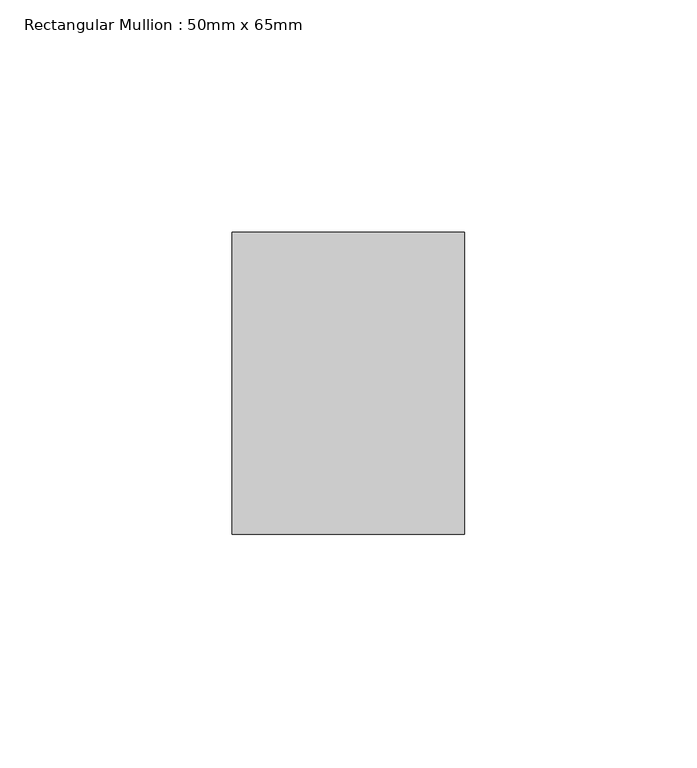
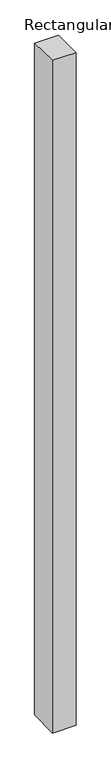
"""IFC4 building model written with IfcOpenShell, lengths in millimetres: member geometry, Rectangular Mullion : 50mm x 65mm."""

import ifcopenshell
import ifcopenshell.guid

model = None  # the IFC model being written
_history = None  # IfcOwnerHistory: only IFC2X3 demands one
_inside = {}  # id of a spatial element -> (the spatial element, [elements in it])
_under = {}  # id of a project, library or spatial element -> (it, [spatial elements below it])
_declared = {}  # id of a project -> (the project, [libraries it declares])
_typed = {}  # id of a type object -> (the type object, [elements of that type])
_made_of = {}  # id of a material, layer set ... -> (it, [elements and type objects made of it])


def new_model(schema):
    """Start an empty IFC model of exactly this schema.

    Asked for "IFC4X3", IfcOpenShell would pick the latest addendum, in which some entities
    have other attributes; the version numbers below select the first issue.
    IFC2X3 requires an IfcOwnerHistory on every rooted entity: one is made here for all.
    """
    global model, _history
    if schema == "IFC4X3":
        model = ifcopenshell.file(schema_version=(4, 3, 0, 0))
    else:
        model = ifcopenshell.file(schema=schema)
    _inside.clear()
    _under.clear()
    _declared.clear()
    _typed.clear()
    _made_of.clear()
    _history = None
    if model.schema == "IFC2X3":
        org = make("IfcOrganization", Name="unknown")
        user = make(
            "IfcPersonAndOrganization",
            ThePerson=make("IfcPerson", FamilyName="unknown"),
            TheOrganization=org,
        )
        app = make(
            "IfcApplication",
            ApplicationDeveloper=org,
            Version="unknown",
            ApplicationFullName="unknown",
            ApplicationIdentifier="unknown",
        )
        _history = make(
            "IfcOwnerHistory",
            OwningUser=user,
            OwningApplication=app,
            ChangeAction="ADDED",
            CreationDate=0,
        )
    return model


def make(cls, **values):
    """One entity of the class cls with the attributes given. An attribute that is None is left unset."""
    return model.create_entity(
        cls, **{name: value for name, value in values.items() if value is not None}
    )


def rooted(cls, **values):
    """An entity with a GlobalId (a new one), such as an element, a storey or a relation."""
    return make(cls, GlobalId=ifcopenshell.guid.new(), OwnerHistory=_history, **values)


def si_unit(unit_type, name, prefix=None):
    """IfcSIUnit, for example si_unit("LENGTHUNIT", "METRE", prefix="MILLI")."""
    return make("IfcSIUnit", UnitType=unit_type, Prefix=prefix, Name=name)


def assignment(units):
    """IfcUnitAssignment: the units of a project."""
    return None if units is None else make("IfcUnitAssignment", Units=units)


def point(xyz):
    """IfcCartesianPoint."""
    return None if xyz is None else make("IfcCartesianPoint", Coordinates=xyz)


def direction(xyz):
    """IfcDirection."""
    return None if xyz is None else make("IfcDirection", DirectionRatios=xyz)


def frame(location, z_axis=None, x_axis=None):
    """IfcAxis2Placement3D, a coordinate frame: its origin and axes. An axis left out is left unset."""
    return make(
        "IfcAxis2Placement3D",
        Location=point(location),
        Axis=direction(z_axis),
        RefDirection=direction(x_axis),
    )


def origin():
    """The frame at (0, 0, 0) with its axes left unset."""
    return frame((0.0, 0.0, 0.0))


def place(relative_to, where):
    """IfcLocalPlacement: puts the frame where relative to a parent placement (None: the world)."""
    return make(
        "IfcLocalPlacement", PlacementRelTo=relative_to, RelativePlacement=where
    )


def context(
    kind, dimensions, precision=None, world=None, true_north=None, identifier=None
):
    """IfcGeometricRepresentationContext, for example the 3D "Model" context."""
    return make(
        "IfcGeometricRepresentationContext",
        ContextIdentifier=identifier,
        ContextType=kind,
        CoordinateSpaceDimension=dimensions,
        Precision=precision,
        WorldCoordinateSystem=world,
        TrueNorth=true_north,
    )


def project(units=None, contexts=None):
    """IfcProject with its units and contexts."""
    return rooted(
        "IfcProject",
        Name="project",
        RepresentationContexts=contexts,
        UnitsInContext=assignment(units),
    )


def spatial(cls, under=None, at=None, **own):
    """A site, building, storey or space (cls), placed at a placement, below another one or the project."""
    s = rooted(cls, ObjectPlacement=at, **own)
    if under is not None:
        _under.setdefault(under.id(), (under, []))[1].append(s)
    return s


def faces_of(points, faces, orient=None, outer=None):
    """IfcFace entities. A face is a list of loops; a loop is a list of indices into points, from 0.

    orient and outer hold one flag for each loop. By default every Orientation is true, the
    first loop of a face is its IfcFaceOuterBound and the others are IfcFaceBound.
    """
    made = []
    for i, loops in enumerate(faces):
        bounds = []
        for j, loop in enumerate(loops):
            is_outer = j == 0 if outer is None else outer[i][j]
            bounds.append(
                make(
                    "IfcFaceOuterBound" if is_outer else "IfcFaceBound",
                    Bound=make("IfcPolyLoop", Polygon=[points[k] for k in loop]),
                    Orientation=True if orient is None else orient[i][j],
                )
            )
        made.append(make("IfcFace", Bounds=bounds))
    return made


def faceted_brep(points, faces, orient=None, outer=None, voids=None):
    """IfcFacetedBrep: a solid bounded by flat faces; with voids (closed shells), ...WithVoids."""
    shared = [point(p) for p in points]
    hull = make("IfcClosedShell", CfsFaces=faces_of(shared, faces, orient, outer))
    if voids is None:
        return make("IfcFacetedBrep", Outer=hull)
    return make(
        "IfcFacetedBrepWithVoids",
        Outer=hull,
        Voids=[
            make(cls, CfsFaces=faces_of(shared, fs, o, b)) for cls, fs, o, b in voids
        ],
    )


def shape(context_of_items, identifier, shape_type, items):
    """IfcShapeRepresentation: the items that make up one representation, for example the "Body"."""
    return make(
        "IfcShapeRepresentation",
        ContextOfItems=context_of_items,
        RepresentationIdentifier=identifier,
        RepresentationType=shape_type,
        Items=items,
    )


def source(mapping_origin, context_of_items, identifier, shape_type, items):
    """IfcRepresentationMap: a shape defined once, which mapped items show again and again."""
    return make(
        "IfcRepresentationMap",
        MappingOrigin=mapping_origin,
        MappedRepresentation=shape(context_of_items, identifier, shape_type, items),
    )


def transform(
    local_origin,
    x_axis=None,
    y_axis=None,
    z_axis=None,
    scale=None,
    scale2=None,
    scale3=None,
    uniform=True,
):
    """IfcCartesianTransformationOperator3D, or its non-uniform kind. x_axis, y_axis, z_axis: its Axis1, 2, 3."""
    if uniform:
        return make(
            "IfcCartesianTransformationOperator3D",
            Axis1=direction(x_axis),
            Axis2=direction(y_axis),
            LocalOrigin=point(local_origin),
            Scale=scale,
            Axis3=direction(z_axis),
        )
    return make(
        "IfcCartesianTransformationOperator3DnonUniform",
        Axis1=direction(x_axis),
        Axis2=direction(y_axis),
        LocalOrigin=point(local_origin),
        Scale=scale,
        Axis3=direction(z_axis),
        Scale2=scale2,
        Scale3=scale3,
    )


def mapped(mapping_source, mapping_target):
    """IfcMappedItem: shows the shape of a source again, moved by a transform."""
    return make(
        "IfcMappedItem", MappingSource=mapping_source, MappingTarget=mapping_target
    )


def made_of(thing, what):
    """Note that an element or type object is made of a material, layer set ...; save() writes the relation."""
    if what is not None:
        _made_of.setdefault(what.id(), (what, []))[1].append(thing)
    return thing


def element(
    cls,
    number,
    at=None,
    inside=None,
    cuts=None,
    type_object=None,
    material=None,
    context=None,
    identifier="Body",
    shape_type=None,
    held_by="IfcProductDefinitionShape",
    body=None,
    shapes=None,
    **own,
):
    """One element of the class cls, such as IfcWall. Its Tag is "e" and its number.

    at: its placement. inside: the storey or other place that contains it. cuts: it is an
    opening in that element (IfcRelVoidsElement). A single representation is given by context,
    identifier, shape_type and body (its items); several are given by shapes. held_by: the class
    of the entity that holds the representations. save() writes the other relations.
    """
    e = rooted(cls, Tag="e%d" % number, ObjectPlacement=at, **own)
    if body is not None:
        shapes = [shape(context, identifier, shape_type, body)]
    if shapes is not None:
        e.Representation = make(held_by, Representations=shapes)
    if inside is not None:
        _inside.setdefault(inside.id(), (inside, []))[1].append(e)
    if cuts is not None:
        rooted(
            "IfcRelVoidsElement", RelatingBuildingElement=cuts, RelatedOpeningElement=e
        )
    if type_object is not None:
        _typed.setdefault(type_object.id(), (type_object, []))[1].append(e)
    return made_of(e, material)


def aggregate(whole, parts):
    """IfcRelAggregates: a whole, such as a stair, and the parts it consists of."""
    return rooted("IfcRelAggregates", RelatingObject=whole, RelatedObjects=parts)


def save(model, path):
    """Write the relations noted so far, then the file.

    IfcRelAggregates (storeys below a building ...), IfcRelContainedInSpatialStructure (elements
    in a storey), IfcRelDefinesByType, IfcRelAssociatesMaterial and IfcRelDeclares: one each for
    every whole, place, type object, material and project.
    """
    for whole, parts in _under.values():
        aggregate(whole, parts)
    for where, things in _inside.values():
        rooted(
            "IfcRelContainedInSpatialStructure",
            RelatedElements=things,
            RelatingStructure=where,
        )
    for kind, things in _typed.values():
        rooted("IfcRelDefinesByType", RelatedObjects=things, RelatingType=kind)
    for what, things in _made_of.values():
        rooted("IfcRelAssociatesMaterial", RelatedObjects=things, RelatingMaterial=what)
    for by, libraries in _declared.values():
        rooted("IfcRelDeclares", RelatingContext=by, RelatedDefinitions=libraries)
    model.write(path)


def rectangular_mullion_50mm_x_65mm_12852d65(model_context):
    return source(origin(), model_context, "Body", "Brep", [
        faceted_brep([(-25.0, 32.5, -0.5637245), (25.0, 32.5, -0.5637254), (25.0, 32.5, -1499.5038345), (-25.0, 32.5, -1499.5038353), (-25.0, -32.5, 0.5637254), (-25.0, -32.5, -1500.4971916), (25.0, -32.5, 0.5637245), (25.0, -32.5, -1500.4971908)], [[[0, 1, 2, 3]], [[4, 0, 3, 5]], [[6, 4, 5, 7]], [[1, 6, 7, 2]], [[1, 0, 4, 6]], [[2, 7, 5, 3]]]),
    ])


if __name__ == "__main__":
    model = new_model("IFC4")
    model_context = context("Model", 3, world=origin())
    ifc_project = project(units=[si_unit("LENGTHUNIT", "METRE", prefix="MILLI")], contexts=[model_context])
    site = spatial("IfcSite", under=ifc_project)
    building = spatial("IfcBuilding", under=site)
    placement = place(None, origin())
    rectangular_mullion_50mm_x_65mm_shape = rectangular_mullion_50mm_x_65mm_12852d65(model_context)
    element("IfcMember", 1, ObjectType="Rectangular Mullion : 50mm x 65mm", at=placement, inside=building, context=model_context, shape_type="MappedRepresentation", body=[
        mapped(rectangular_mullion_50mm_x_65mm_shape, transform((0.0, 0.0, 0.0), x_axis=(1.0, 0.0, 0.0), y_axis=(0.0, 1.0, 0.0), z_axis=(0.0, 0.0, 1.0))),
    ])
    save(model, "model.ifc")
